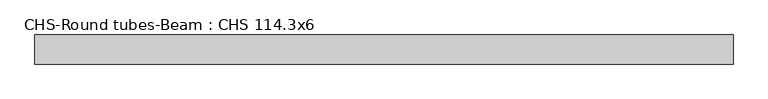
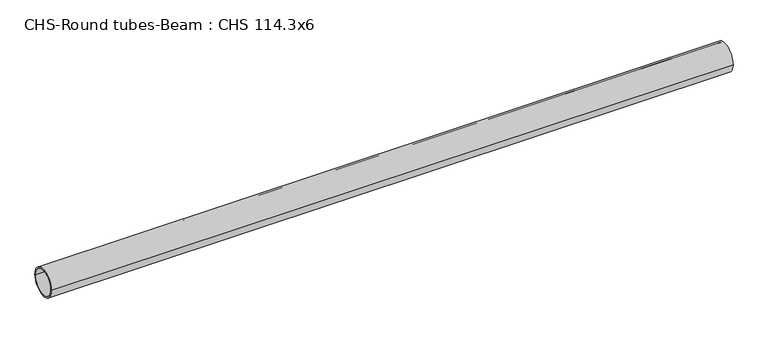
"""IFC4 building model written with IfcOpenShell, lengths in millimetres: beam geometry, CHS-Round tubes-Beam : CHS 114.3x6."""

from ifc_helpers import new_model, si_unit, point, frame, origin, origin_2d, place, context, project, spatial, circle_curve, trimmed, segment, composite_curve, outline, extrude, source, transform, mapped, element, save


def chs_round_tubes_beam_chs_114_3x6_aaced4c7(model_context):
    return source(origin(), model_context, "Body", "SweptSolid", [
        extrude(outline(composite_curve([segment(trimmed(circle_curve(origin_2d(), 57.15), [point((57.15, 0.0))], [point((-57.15, 0.0))], False, "CARTESIAN"), True, "CONTINUOUS"), segment(trimmed(circle_curve(origin_2d(), 57.15), [point((-57.15, 0.0))], [point((57.15, 0.0))], False, "CARTESIAN"), True, "CONTINUOUS")], self_intersect=False), holes=[composite_curve([segment(trimmed(circle_curve(origin_2d(), 51.15), [point((51.15, 0.0))], [point((-51.15, 0.0))], True, "CARTESIAN"), True, "CONTINUOUS"), segment(trimmed(circle_curve(origin_2d(), 51.15), [point((-51.15, 0.0))], [point((51.15, 0.0))], True, "CARTESIAN"), True, "CONTINUOUS")], self_intersect=False)]), frame((-1285.0967569, 0.0, 0.0), z_axis=(1.0, 0.0, 0.0), x_axis=(0.0, 1.0, 0.0)), (0.0, 0.0, 1.0), 2737.314375),
    ])


if __name__ == "__main__":
    model = new_model("IFC4")
    model_context = context("Model", 3, world=origin())
    ifc_project = project(units=[si_unit("LENGTHUNIT", "METRE", prefix="MILLI")], contexts=[model_context])
    site = spatial("IfcSite", under=ifc_project)
    building = spatial("IfcBuilding", under=site)
    placement = place(None, origin())
    chs_round_tubes_beam_chs_114_3x6_shape = chs_round_tubes_beam_chs_114_3x6_aaced4c7(model_context)
    element("IfcBeam", 1, ObjectType="CHS-Round tubes-Beam : CHS 114.3x6", at=placement, inside=building, context=model_context, shape_type="MappedRepresentation", body=[
        mapped(chs_round_tubes_beam_chs_114_3x6_shape, transform((0.0, 0.0, 0.0), x_axis=(1.0, 0.0, 0.0), y_axis=(0.0, 1.0, 0.0), z_axis=(0.0, 0.0, 1.0))),
    ])
    save(model, "model.ifc")
